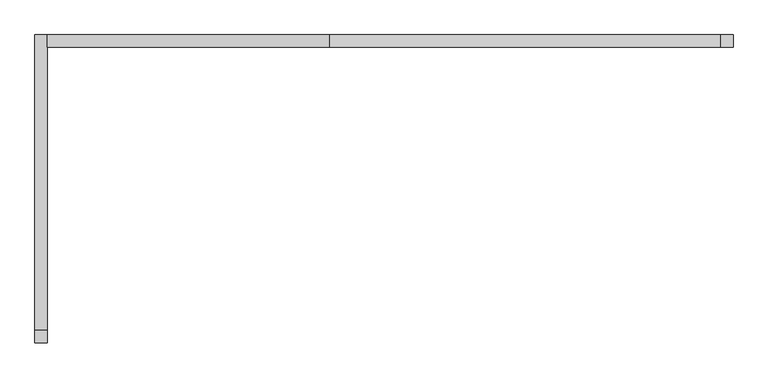
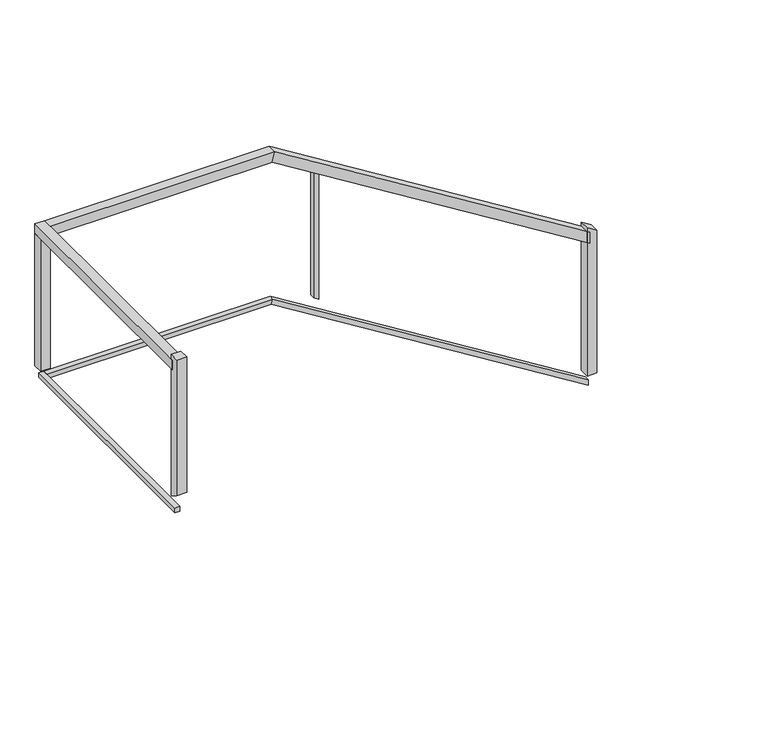
"""IFC4 building model written with IfcOpenShell, lengths in millimetres: railing geometry."""

from ifc_helpers import new_model, si_unit, frame, origin, place, context, project, spatial, polyline, outline, extrude, faceted_brep, source, transform, mapped, element, save


def railing_fab2e3ab(model_context):
    return source(origin(), model_context, "Body", "SolidModel", [
        faceted_brep([(-18278.6629276, 122329.0501734, 5214.2936501), (-18278.6629276, 122278.2501734, 5214.2936501), (-18278.6629276, 122278.2501734, 5154.5063499), (-18278.6629276, 122329.0501734, 5154.5063499), (-19903.4219749, 122329.0501734, 6222.6), (-19903.4219749, 122278.2501734, 6222.6), (-19917.9038803, 122278.2501734, 6171.8), (-19917.9038803, 122329.0501734, 6171.8), (-21063.0636151, 122329.0501734, 6222.6), (-21063.0636151, 122329.0501734, 6171.8), (-21063.0636151, 122278.2501734, 6171.8), (-21063.0636151, 122278.2501734, 6222.6)], [[[0, 1, 2, 3]], [[1, 0, 4, 5]], [[2, 1, 5, 6]], [[3, 2, 6, 7]], [[0, 3, 7, 4]], [[8, 9, 10, 11]], [[5, 4, 8, 11]], [[6, 5, 11, 10]], [[7, 6, 10, 9]], [[4, 7, 9, 8]]]),
        faceted_brep([(-21113.8636151, 122329.0501734, 6222.6), (-21063.0636151, 122329.0501734, 6222.6), (-21063.0636151, 122329.0501734, 6171.8), (-21113.8636151, 122329.0501734, 6171.8), (-21113.8636151, 121098.8596106, 6222.6), (-21113.8636151, 121098.8596106, 6171.8), (-21063.0636151, 121098.8596106, 6171.8), (-21063.0636151, 121098.8596106, 6222.6)], [[[0, 1, 2, 3]], [[4, 5, 6, 7]], [[1, 0, 4, 7]], [[2, 1, 7, 6]], [[3, 2, 6, 5]], [[0, 3, 5, 4]]]),
        faceted_brep([(-18278.6629276, 122316.3501734, 4401.746825), (-18278.6629276, 122290.9501734, 4401.746825), (-18278.6629276, 122290.9501734, 4371.853175), (-18278.6629276, 122316.3501734, 4371.853175), (-19907.0424512, 122316.3501734, 5412.3), (-19907.0424512, 122290.9501734, 5412.3), (-19914.2834039, 122290.9501734, 5386.9), (-19914.2834039, 122316.3501734, 5386.9), (-21075.7636151, 122316.3501734, 5412.3), (-21075.7636151, 122316.3501734, 5386.9), (-21075.7636151, 122290.9501734, 5386.9), (-21075.7636151, 122290.9501734, 5412.3)], [[[0, 1, 2, 3]], [[1, 0, 4, 5]], [[2, 1, 5, 6]], [[3, 2, 6, 7]], [[0, 3, 7, 4]], [[8, 9, 10, 11]], [[5, 4, 8, 11]], [[6, 5, 11, 10]], [[7, 6, 10, 9]], [[4, 7, 9, 8]]]),
        faceted_brep([(-21101.1636151, 122316.3501734, 5412.3), (-21075.7636151, 122316.3501734, 5412.3), (-21075.7636151, 122316.3501734, 5386.9), (-21101.1636151, 122316.3501734, 5386.9), (-21101.1636151, 121098.8596106, 5412.3), (-21101.1636151, 121098.8596106, 5386.9), (-21075.7636151, 121098.8596106, 5386.9), (-21075.7636151, 121098.8596106, 5412.3)], [[[0, 1, 2, 3]], [[4, 5, 6, 7]], [[1, 0, 4, 7]], [[2, 1, 7, 6]], [[3, 2, 6, 5]], [[0, 3, 5, 4]]]),
        extrude(outline(polyline([(6061.0831545, -19670.8632714), (6076.8460957, -19696.2632714), (5345.4973171, -19696.2632714), (5329.7343759, -19670.8632714), (6061.0831545, -19670.8632714)])), frame((0.0, 122290.9501734, 0.0), z_axis=(0.0, 1.0, 0.0), x_axis=(0.0, 0.0, 1.0)), (0.0, 0.0, 1.0), 25.4),
        extrude(outline(polyline([(-21063.0636151, 122278.2501734), (-21113.8636151, 122278.2501734), (-21113.8636151, 122329.0501734), (-21063.0636151, 122329.0501734), (-21063.0636151, 122278.2501734)])), frame((0.0, 0.0, 5447.2), z_axis=(0.0, 0.0, 1.0), x_axis=(1.0, 0.0, 0.0)), (0.0, 0.0, 1.0), 724.6),
        extrude(outline(polyline([(121111.5596106, 6248.1), (121111.5596106, 5476.3611613), (121060.7596106, 5507.8870437), (121060.7596106, 6248.1), (121111.5596106, 6248.1)])), frame((-21113.8636151, 0.0, 0.0), z_axis=(1.0, 0.0, 0.0), x_axis=(0.0, 1.0, 0.0)), (0.0, 0.0, 1.0), 50.8),
        extrude(outline(polyline([(5211.6555882, -18240.5629276), (5243.1814706, -18291.3629276), (4434.4, -18291.3629276), (4434.4, -18240.5629276), (5211.6555882, -18240.5629276)])), frame((0.0, 122278.2501734, 0.0), z_axis=(0.0, 1.0, 0.0), x_axis=(0.0, 0.0, 1.0)), (0.0, 0.0, 1.0), 50.8),
    ])


if __name__ == "__main__":
    model = new_model("IFC4")
    model_context = context("Model", 3, world=origin())
    ifc_project = project(units=[si_unit("LENGTHUNIT", "METRE", prefix="MILLI")], contexts=[model_context])
    site = spatial("IfcSite", under=ifc_project)
    building = spatial("IfcBuilding", under=site)
    placement = place(None, origin())
    railing_shape = railing_fab2e3ab(model_context)
    element("IfcRailing", 1, at=placement, inside=building, context=model_context, shape_type="MappedRepresentation", body=[
        mapped(railing_shape, transform((0.0, 0.0, 0.0), x_axis=(1.0, 0.0, 0.0), y_axis=(0.0, 1.0, 0.0), z_axis=(0.0, 0.0, 1.0))),
    ])
    save(model, "model.ifc")
